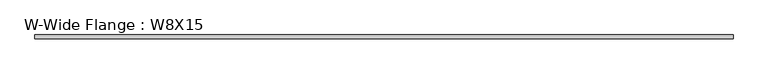
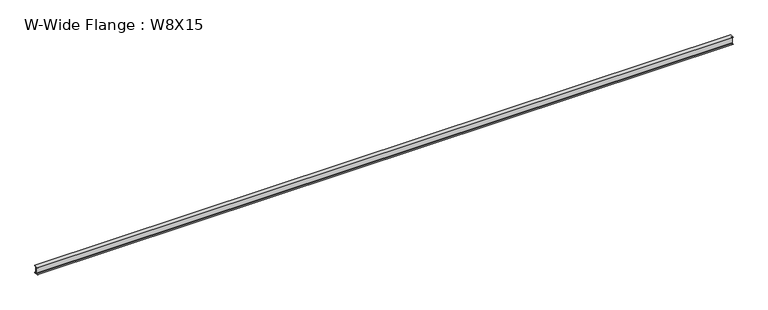
"""IFC4 building model written with IfcOpenShell, lengths in millimetres: beam geometry, W-Wide Flange : W8X15."""

from ifc_helpers import new_model, si_unit, point, frame, frame_2d, origin, place, context, project, spatial, polyline, circle_curve, trimmed, segment, composite_curve, outline, extrude, source, transform, mapped, element, save


def w_wide_flange_w8x15_d41216ad(model_context):
    return source(origin(), model_context, "Body", "SweptSolid", [
        extrude(outline(composite_curve([segment(polyline([(50.927, -94.996), (50.927, -102.997), (-50.927, -102.997), (-50.927, -94.996), (-15.748, -94.996)]), True, "CONTINUOUS"), segment(trimmed(circle_curve(frame_2d((-15.748, -82.3595)), 12.6365), [point((-15.748, -94.996))], [point((-3.1115, -82.3595))], True, "CARTESIAN"), True, "CONTINUOUS"), segment(polyline([(-3.1115, -82.3595), (-3.1115, 82.3595)]), True, "CONTINUOUS"), segment(trimmed(circle_curve(frame_2d((-15.748, 82.3595)), 12.6365), [point((-3.1115, 82.3595))], [point((-15.748, 94.996))], True, "CARTESIAN"), True, "CONTINUOUS"), segment(polyline([(-15.748, 94.996), (-50.927, 94.996), (-50.927, 102.997), (50.927, 102.997), (50.927, 94.996), (15.748, 94.996)]), True, "CONTINUOUS"), segment(trimmed(circle_curve(frame_2d((15.748, 82.3595)), 12.6365), [point((15.748, 94.996))], [point((3.1115, 82.3595))], True, "CARTESIAN"), True, "CONTINUOUS"), segment(polyline([(3.1115, 82.3595), (3.1115, -82.3595)]), True, "CONTINUOUS"), segment(trimmed(circle_curve(frame_2d((15.748, -82.3595)), 12.6365), [point((3.1115, -82.3595))], [point((15.748, -94.996))], True, "CARTESIAN"), True, "CONTINUOUS"), segment(polyline([(15.748, -94.996), (50.927, -94.996)]), True, "CONTINUOUS")], self_intersect=False)), frame((-9321.8, 0.0, 0.0), z_axis=(1.0, 0.0, 0.0), x_axis=(0.0, 1.0, 0.0)), (0.0, 0.0, 1.0), 18643.6),
    ])


if __name__ == "__main__":
    model = new_model("IFC4")
    model_context = context("Model", 3, world=origin())
    ifc_project = project(units=[si_unit("LENGTHUNIT", "METRE", prefix="MILLI")], contexts=[model_context])
    site = spatial("IfcSite", under=ifc_project)
    building = spatial("IfcBuilding", under=site)
    placement = place(None, origin())
    w_wide_flange_w8x15_shape = w_wide_flange_w8x15_d41216ad(model_context)
    element("IfcBeam", 1, ObjectType="W-Wide Flange : W8X15", at=placement, inside=building, context=model_context, shape_type="MappedRepresentation", body=[
        mapped(w_wide_flange_w8x15_shape, transform((0.0, 0.0, 0.0), x_axis=(1.0, 0.0, 0.0), y_axis=(0.0, 1.0, 0.0), z_axis=(0.0, 0.0, 1.0))),
    ])
    save(model, "model.ifc")
